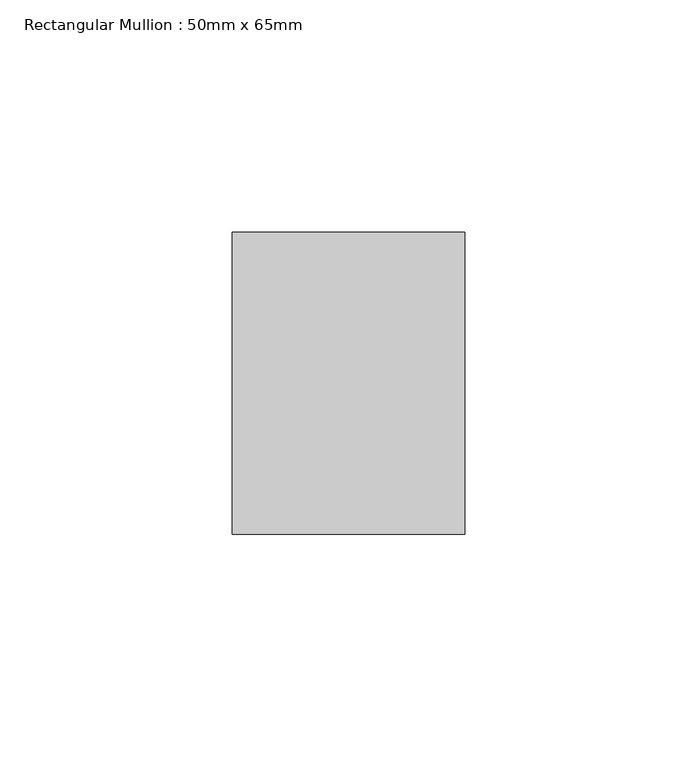
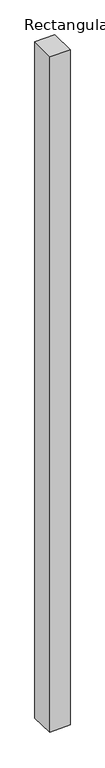
"""IFC4 building model written with IfcOpenShell, lengths in millimetres: member geometry, Rectangular Mullion : 50mm x 65mm."""

from ifc_helpers import new_model, si_unit, origin, place, context, project, spatial, faceted_brep, source, transform, mapped, element, save


def rectangular_mullion_50mm_x_65mm_39ad465f(model_context):
    return source(origin(), model_context, "Body", "Brep", [
        faceted_brep([(25.0, 32.5, 0.0), (-25.0, 32.5, 0.0), (-25.0, -32.5, 0.0), (25.0, -32.5, 0.0), (25.0, 32.5, -1779.4164757), (-25.0, 32.5, -1781.6474376), (-25.0, -32.5, -1779.5730849), (25.0, -32.5, -1777.3421231)], [[[0, 1, 2, 3]], [[1, 0, 4, 5]], [[2, 1, 5, 6]], [[3, 2, 6, 7]], [[0, 3, 7, 4]], [[4, 7, 6, 5]]]),
    ])


if __name__ == "__main__":
    model = new_model("IFC4")
    model_context = context("Model", 3, world=origin())
    ifc_project = project(units=[si_unit("LENGTHUNIT", "METRE", prefix="MILLI")], contexts=[model_context])
    site = spatial("IfcSite", under=ifc_project)
    building = spatial("IfcBuilding", under=site)
    placement = place(None, origin())
    rectangular_mullion_50mm_x_65mm_shape = rectangular_mullion_50mm_x_65mm_39ad465f(model_context)
    element("IfcMember", 1, ObjectType="Rectangular Mullion : 50mm x 65mm", at=placement, inside=building, context=model_context, shape_type="MappedRepresentation", body=[
        mapped(rectangular_mullion_50mm_x_65mm_shape, transform((0.0, 0.0, 0.0), x_axis=(1.0, 0.0, 0.0), y_axis=(0.0, 1.0, 0.0), z_axis=(0.0, 0.0, 1.0))),
    ])
    save(model, "model.ifc")
